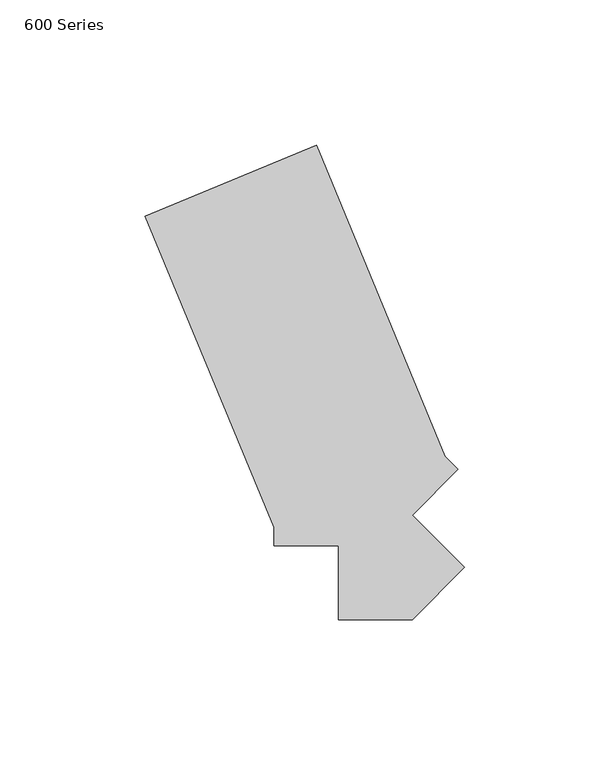
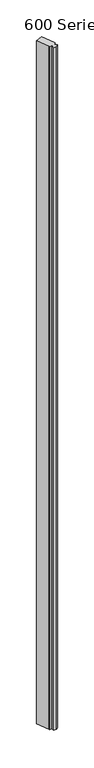
"""IFC4 building model written with IfcOpenShell, lengths in millimetres: proxy geometry, 600 Series."""

from ifc_helpers import new_model, si_unit, origin, origin_with_axes, place, context, project, spatial, polyline, outline, extrude, source, transform, mapped, element, save


def proxy_600_series_1d94da73(model_context):
    return source(origin(), model_context, "Body", "SweptSolid", [
        extrude(outline(polyline([(-12.7, 12.7), (-12.7, 19.05), (-57.0482263, 126.1160893), (1.8818698, 150.5257343), (46.230096, 43.459645), (50.7202241, 38.969517), (34.9717316, 23.2210245), (52.9322439, 5.2605122), (34.9717316, -12.7), (9.5717316, -12.7), (9.5717316, 12.7), (-12.7, 12.7)])), origin_with_axes(), (0.0, 0.0, 1.0), 6096.0),
    ])


if __name__ == "__main__":
    model = new_model("IFC4")
    model_context = context("Model", 3, world=origin())
    ifc_project = project(units=[si_unit("LENGTHUNIT", "METRE", prefix="MILLI")], contexts=[model_context])
    site = spatial("IfcSite", under=ifc_project)
    building = spatial("IfcBuilding", under=site)
    placement = place(None, origin())
    proxy_600_series_shape = proxy_600_series_1d94da73(model_context)
    element("IfcBuildingElementProxy", 1, Name="600 Series", ObjectType="600 Series", at=placement, inside=building, context=model_context, shape_type="MappedRepresentation", body=[
        mapped(proxy_600_series_shape, transform((0.0, 0.0, 0.0), x_axis=(1.0, 0.0, 0.0), y_axis=(0.0, 1.0, 0.0), z_axis=(0.0, 0.0, 1.0))),
    ])
    save(model, "model.ifc")
